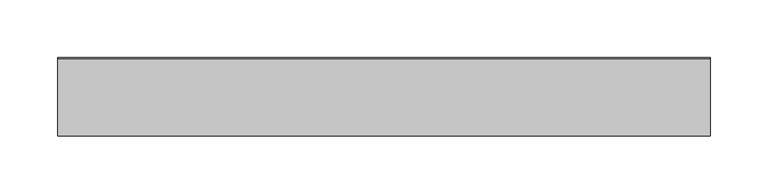
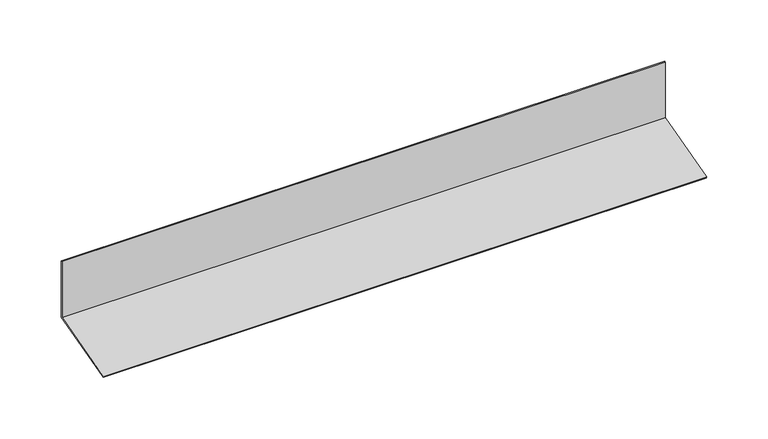
"""IFC4 building model written with IfcOpenShell, lengths in millimetres: proxy geometry."""

import ifcopenshell
import ifcopenshell.guid

model = None  # the IFC model being written
_history = None  # IfcOwnerHistory: only IFC2X3 demands one
_inside = {}  # id of a spatial element -> (the spatial element, [elements in it])
_under = {}  # id of a project, library or spatial element -> (it, [spatial elements below it])
_declared = {}  # id of a project -> (the project, [libraries it declares])
_typed = {}  # id of a type object -> (the type object, [elements of that type])
_made_of = {}  # id of a material, layer set ... -> (it, [elements and type objects made of it])


def new_model(schema):
    """Start an empty IFC model of exactly this schema.

    Asked for "IFC4X3", IfcOpenShell would pick the latest addendum, in which some entities
    have other attributes; the version numbers below select the first issue.
    IFC2X3 requires an IfcOwnerHistory on every rooted entity: one is made here for all.
    """
    global model, _history
    if schema == "IFC4X3":
        model = ifcopenshell.file(schema_version=(4, 3, 0, 0))
    else:
        model = ifcopenshell.file(schema=schema)
    _inside.clear()
    _under.clear()
    _declared.clear()
    _typed.clear()
    _made_of.clear()
    _history = None
    if model.schema == "IFC2X3":
        org = make("IfcOrganization", Name="unknown")
        user = make(
            "IfcPersonAndOrganization",
            ThePerson=make("IfcPerson", FamilyName="unknown"),
            TheOrganization=org,
        )
        app = make(
            "IfcApplication",
            ApplicationDeveloper=org,
            Version="unknown",
            ApplicationFullName="unknown",
            ApplicationIdentifier="unknown",
        )
        _history = make(
            "IfcOwnerHistory",
            OwningUser=user,
            OwningApplication=app,
            ChangeAction="ADDED",
            CreationDate=0,
        )
    return model


def make(cls, **values):
    """One entity of the class cls with the attributes given. An attribute that is None is left unset."""
    return model.create_entity(
        cls, **{name: value for name, value in values.items() if value is not None}
    )


def rooted(cls, **values):
    """An entity with a GlobalId (a new one), such as an element, a storey or a relation."""
    return make(cls, GlobalId=ifcopenshell.guid.new(), OwnerHistory=_history, **values)


def si_unit(unit_type, name, prefix=None):
    """IfcSIUnit, for example si_unit("LENGTHUNIT", "METRE", prefix="MILLI")."""
    return make("IfcSIUnit", UnitType=unit_type, Prefix=prefix, Name=name)


def assignment(units):
    """IfcUnitAssignment: the units of a project."""
    return None if units is None else make("IfcUnitAssignment", Units=units)


def point(xyz):
    """IfcCartesianPoint."""
    return None if xyz is None else make("IfcCartesianPoint", Coordinates=xyz)


def direction(xyz):
    """IfcDirection."""
    return None if xyz is None else make("IfcDirection", DirectionRatios=xyz)


def frame(location, z_axis=None, x_axis=None):
    """IfcAxis2Placement3D, a coordinate frame: its origin and axes. An axis left out is left unset."""
    return make(
        "IfcAxis2Placement3D",
        Location=point(location),
        Axis=direction(z_axis),
        RefDirection=direction(x_axis),
    )


def origin():
    """The frame at (0, 0, 0) with its axes left unset."""
    return frame((0.0, 0.0, 0.0))


def place(relative_to, where):
    """IfcLocalPlacement: puts the frame where relative to a parent placement (None: the world)."""
    return make(
        "IfcLocalPlacement", PlacementRelTo=relative_to, RelativePlacement=where
    )


def context(
    kind, dimensions, precision=None, world=None, true_north=None, identifier=None
):
    """IfcGeometricRepresentationContext, for example the 3D "Model" context."""
    return make(
        "IfcGeometricRepresentationContext",
        ContextIdentifier=identifier,
        ContextType=kind,
        CoordinateSpaceDimension=dimensions,
        Precision=precision,
        WorldCoordinateSystem=world,
        TrueNorth=true_north,
    )


def project(units=None, contexts=None):
    """IfcProject with its units and contexts."""
    return rooted(
        "IfcProject",
        Name="project",
        RepresentationContexts=contexts,
        UnitsInContext=assignment(units),
    )


def spatial(cls, under=None, at=None, **own):
    """A site, building, storey or space (cls), placed at a placement, below another one or the project."""
    s = rooted(cls, ObjectPlacement=at, **own)
    if under is not None:
        _under.setdefault(under.id(), (under, []))[1].append(s)
    return s


def polyline(points):
    """IfcPolyline through the points."""
    return make("IfcPolyline", Points=[point(p) for p in points])


def outline(outer, holes=None, kind="AREA"):
    """IfcArbitraryClosedProfileDef: a profile drawn as a closed curve; with holes, ...WithVoids."""
    if holes is None:
        return make("IfcArbitraryClosedProfileDef", ProfileType=kind, OuterCurve=outer)
    return make(
        "IfcArbitraryProfileDefWithVoids",
        ProfileType=kind,
        OuterCurve=outer,
        InnerCurves=holes,
    )


def extrude(swept, where, along, depth):
    """IfcExtrudedAreaSolid: the profile swept, set in the frame where, extruded along a direction by depth."""
    return make(
        "IfcExtrudedAreaSolid",
        SweptArea=swept,
        Position=where,
        ExtrudedDirection=direction(along),
        Depth=depth,
    )


def shape(context_of_items, identifier, shape_type, items):
    """IfcShapeRepresentation: the items that make up one representation, for example the "Body"."""
    return make(
        "IfcShapeRepresentation",
        ContextOfItems=context_of_items,
        RepresentationIdentifier=identifier,
        RepresentationType=shape_type,
        Items=items,
    )


def source(mapping_origin, context_of_items, identifier, shape_type, items):
    """IfcRepresentationMap: a shape defined once, which mapped items show again and again."""
    return make(
        "IfcRepresentationMap",
        MappingOrigin=mapping_origin,
        MappedRepresentation=shape(context_of_items, identifier, shape_type, items),
    )


def transform(
    local_origin,
    x_axis=None,
    y_axis=None,
    z_axis=None,
    scale=None,
    scale2=None,
    scale3=None,
    uniform=True,
):
    """IfcCartesianTransformationOperator3D, or its non-uniform kind. x_axis, y_axis, z_axis: its Axis1, 2, 3."""
    if uniform:
        return make(
            "IfcCartesianTransformationOperator3D",
            Axis1=direction(x_axis),
            Axis2=direction(y_axis),
            LocalOrigin=point(local_origin),
            Scale=scale,
            Axis3=direction(z_axis),
        )
    return make(
        "IfcCartesianTransformationOperator3DnonUniform",
        Axis1=direction(x_axis),
        Axis2=direction(y_axis),
        LocalOrigin=point(local_origin),
        Scale=scale,
        Axis3=direction(z_axis),
        Scale2=scale2,
        Scale3=scale3,
    )


def mapped(mapping_source, mapping_target):
    """IfcMappedItem: shows the shape of a source again, moved by a transform."""
    return make(
        "IfcMappedItem", MappingSource=mapping_source, MappingTarget=mapping_target
    )


def made_of(thing, what):
    """Note that an element or type object is made of a material, layer set ...; save() writes the relation."""
    if what is not None:
        _made_of.setdefault(what.id(), (what, []))[1].append(thing)
    return thing


def element(
    cls,
    number,
    at=None,
    inside=None,
    cuts=None,
    type_object=None,
    material=None,
    context=None,
    identifier="Body",
    shape_type=None,
    held_by="IfcProductDefinitionShape",
    body=None,
    shapes=None,
    **own,
):
    """One element of the class cls, such as IfcWall. Its Tag is "e" and its number.

    at: its placement. inside: the storey or other place that contains it. cuts: it is an
    opening in that element (IfcRelVoidsElement). A single representation is given by context,
    identifier, shape_type and body (its items); several are given by shapes. held_by: the class
    of the entity that holds the representations. save() writes the other relations.
    """
    e = rooted(cls, Tag="e%d" % number, ObjectPlacement=at, **own)
    if body is not None:
        shapes = [shape(context, identifier, shape_type, body)]
    if shapes is not None:
        e.Representation = make(held_by, Representations=shapes)
    if inside is not None:
        _inside.setdefault(inside.id(), (inside, []))[1].append(e)
    if cuts is not None:
        rooted(
            "IfcRelVoidsElement", RelatingBuildingElement=cuts, RelatedOpeningElement=e
        )
    if type_object is not None:
        _typed.setdefault(type_object.id(), (type_object, []))[1].append(e)
    return made_of(e, material)


def aggregate(whole, parts):
    """IfcRelAggregates: a whole, such as a stair, and the parts it consists of."""
    return rooted("IfcRelAggregates", RelatingObject=whole, RelatedObjects=parts)


def save(model, path):
    """Write the relations noted so far, then the file.

    IfcRelAggregates (storeys below a building ...), IfcRelContainedInSpatialStructure (elements
    in a storey), IfcRelDefinesByType, IfcRelAssociatesMaterial and IfcRelDeclares: one each for
    every whole, place, type object, material and project.
    """
    for whole, parts in _under.values():
        aggregate(whole, parts)
    for where, things in _inside.values():
        rooted(
            "IfcRelContainedInSpatialStructure",
            RelatedElements=things,
            RelatingStructure=where,
        )
    for kind, things in _typed.values():
        rooted("IfcRelDefinesByType", RelatedObjects=things, RelatingType=kind)
    for what, things in _made_of.values():
        rooted("IfcRelAssociatesMaterial", RelatedObjects=things, RelatingMaterial=what)
    for by, libraries in _declared.values():
        rooted("IfcRelDeclares", RelatingContext=by, RelatedDefinitions=libraries)
    model.write(path)


def generic_models_c6f3140f(model_context):
    return source(origin(), model_context, "Body", "SweptSolid", [
        extrude(outline(polyline([(-10132.2979315, 1774.4460745), (-10132.2979315, 1830.0913228), (-10131.2979315, 1830.0913228), (-10131.2979315, 1773.6787475), (-10199.553268, 1755.3897852), (-10199.812087, 1756.355711), (-10132.2979315, 1774.4460745)])), frame((-7861.8226844, 0.0, 0.0), z_axis=(1.0, 0.0, 0.0), x_axis=(0.0, 1.0, 0.0)), (0.0, 0.0, 1.0), 567.0873222),
    ])


if __name__ == "__main__":
    model = new_model("IFC4")
    model_context = context("Model", 3, world=origin())
    ifc_project = project(units=[si_unit("LENGTHUNIT", "METRE", prefix="MILLI")], contexts=[model_context])
    site = spatial("IfcSite", under=ifc_project)
    building = spatial("IfcBuilding", under=site)
    placement = place(None, origin())
    generic_models_shape = generic_models_c6f3140f(model_context)
    element("IfcBuildingElementProxy", 1, Name="Generic Models", at=placement, inside=building, context=model_context, shape_type="MappedRepresentation", body=[
        mapped(generic_models_shape, transform((0.0, 0.0, 0.0), x_axis=(1.0, 0.0, 0.0), y_axis=(0.0, 1.0, 0.0), z_axis=(0.0, 0.0, 1.0))),
    ])
    save(model, "model.ifc")
